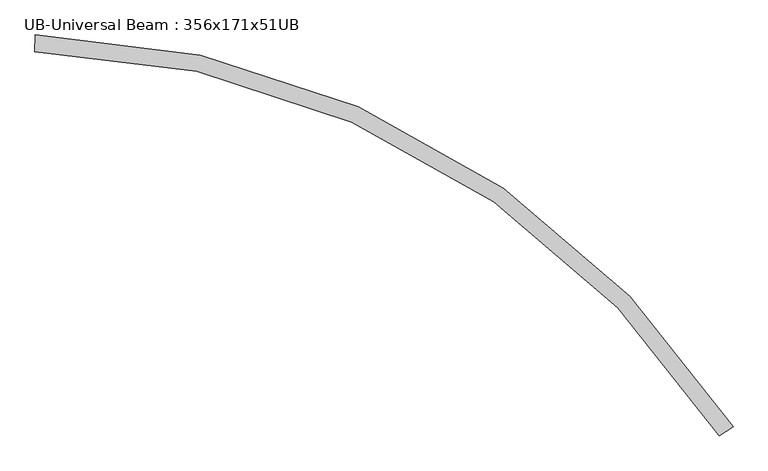
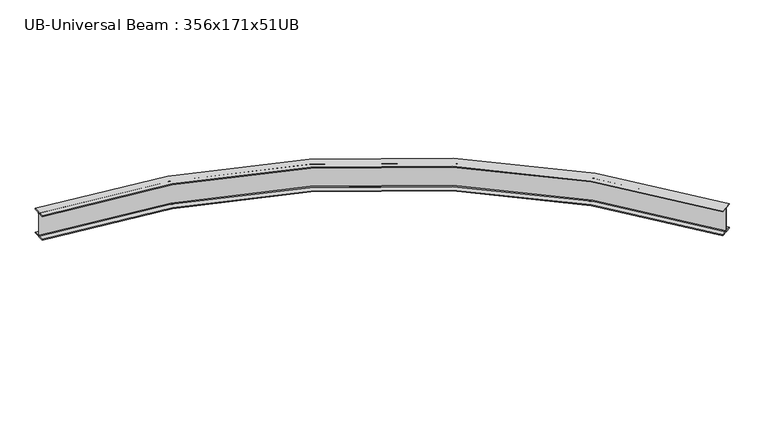
"""IFC4 building model written with IfcOpenShell, lengths in millimetres: beam geometry, UB-Universal Beam : 356x171x51UB."""

from ifc_helpers import new_model, si_unit, point, frame, origin, place, context, project, spatial, polyline, circle_curve, ellipse_curve, trimmed, source, transform, mapped, element, save
from ifc_brep_helpers import plane_surface, cylinder_surface, revolved_surface, advanced_brep


def ub_universal_beam_356x171x51ub_1de31b64(model_context):
    return source(origin(), model_context, "Body", "AdvancedBrep", [
        advanced_brep(
        [(7389.1913751, -3947.184636, -166.0), (7328.7624533, -3986.0532339, -166.0), (7320.1838172, -3991.5711142, -155.8), (7320.1838172, -3991.5711142, 155.8), (7328.7624533, -3986.0532339, 166.0), (7389.1913751, -3947.184636, 166.0), (7389.1913751, -3947.184636, 177.5), (7244.9525428, -4039.9607604, 177.5), (7244.9525428, -4039.9607604, 166.0), (7305.3814647, -4001.0921625, 166.0), (7313.9601008, -3995.5742822, 155.8), (7313.9601008, -3995.5742822, -155.8), (7305.3814647, -4001.0921625, -166.0), (7244.9525428, -4039.9607604, -166.0), (7244.9525428, -4039.9607604, -177.5), (7389.1913751, -3947.184636, -177.5), (209.1663637, 83.2597875, -166.0), (209.1663637, 83.2597875, -177.5), (205.0833849, -88.1916029, -177.5), (205.0833849, -88.1916029, -166.0), (206.7939507, -16.3619679, -166.0), (207.0367867, -6.164859, -155.8), (207.0367867, -6.164859, 155.8), (206.7939507, -16.3619679, 166.0), (205.0833849, -88.1916029, 166.0), (205.0833849, -88.1916029, 177.5), (209.1663637, 83.2597875, 177.5), (209.1663637, 83.2597875, 166.0), (207.455798, 11.4301525, 166.0), (207.2129619, 1.2330436, 155.8), (207.2129619, 1.2330436, -155.8), (207.455798, 11.4301525, -166.0)],
        [
            (0, 1),
            (1, 2, circle_curve(frame((7328.7624533, -3986.0532339, -155.8), z_axis=(-0.5409686553777926, 0.8410427539065677, 0.0), x_axis=(-0.8410427539065677, -0.5409686553777926, 0.0)), 10.2)),
            (2, 3),
            (3, 4, circle_curve(frame((7328.7624533, -3986.0532339, 155.8), z_axis=(-0.5409686553777924, 0.8410427539065678, 0.0), x_axis=(-0.8410427539065678, -0.5409686553777924, 0.0)), 10.2)),
            (4, 5),
            (5, 6),
            (6, 7),
            (7, 8),
            (8, 9),
            (9, 10, circle_curve(frame((7305.3814647, -4001.0921625, 155.8), z_axis=(-0.5409686553777924, 0.8410427539065678, 0.0), x_axis=(-0.8410427539065678, -0.5409686553777924, 0.0)), 10.2)),
            (10, 11),
            (11, 12, circle_curve(frame((7305.3814647, -4001.0921625, -155.8), z_axis=(-0.5409686553777924, 0.8410427539065678, 0.0), x_axis=(-0.8410427539065678, -0.5409686553777924, 0.0)), 10.2)),
            (12, 13),
            (13, 14),
            (14, 15),
            (15, 0),
            (16, 17),
            (17, 18),
            (18, 19),
            (19, 20),
            (20, 21, circle_curve(frame((206.7939507, -16.3619679, -155.8), z_axis=(0.9997165623314463, -0.023807456819157746, 0.0), x_axis=(-0.023807456819157746, -0.9997165623314463, 0.0)), 10.2)),
            (21, 22),
            (22, 23, circle_curve(frame((206.7939507, -16.3619679, 155.8), z_axis=(0.9997165623314461, -0.023807456819157802, 0.0), x_axis=(-0.023807456819157802, -0.9997165623314461, 0.0)), 10.2)),
            (23, 24),
            (24, 25),
            (25, 26),
            (26, 27),
            (27, 28),
            (28, 29, circle_curve(frame((207.455798, 11.4301525, 155.8), z_axis=(0.9997165623314463, -0.023807456819157746, 0.0), x_axis=(-0.023807456819157746, -0.9997165623314463, 0.0)), 10.2)),
            (29, 30),
            (30, 31, circle_curve(frame((207.455798, 11.4301525, -155.8), z_axis=(0.9997165623314461, -0.023807456819157802, 0.0), x_axis=(-0.023807456819157802, -0.9997165623314461, 0.0)), 10.2)),
            (31, 16),
            (0, 16, circle_curve(frame((0.0, -8700.0, -166.0), z_axis=(0.0, 0.0, 1.0), x_axis=(-0.5731732091686152, 0.8194342391500071, 0.0)), 8785.75)),
            (31, 1, circle_curve(frame((0.0, -8700.0, -166.0), z_axis=(0.0, 0.0, -1.0), x_axis=(-0.5731732091686152, 0.8194342391500071, 0.0)), 8713.9)),
            (30, 2, circle_curve(frame((0.0, -8700.0, -155.8), z_axis=(0.0, 0.0, -1.0), x_axis=(-0.5731732091686152, 0.8194342391500071, 0.0)), 8703.7)),
            (29, 3, circle_curve(frame((0.0, -8700.0, 155.8), z_axis=(0.0, 0.0, -1.0), x_axis=(-0.5731732091686152, 0.8194342391500071, 0.0)), 8703.7)),
            (28, 4, circle_curve(frame((0.0, -8700.0, 166.0), z_axis=(0.0, 0.0, -1.0), x_axis=(-0.5731732091686152, 0.8194342391500071, 0.0)), 8713.9)),
            (27, 5, circle_curve(frame((0.0, -8700.0, 166.0), z_axis=(0.0, 0.0, -1.0), x_axis=(-0.5731732091686152, 0.8194342391500071, 0.0)), 8785.75)),
            (26, 6, circle_curve(frame((0.0, -8700.0, 177.5), z_axis=(0.0, 0.0, -1.0), x_axis=(-0.5731732091686152, 0.8194342391500071, 0.0)), 8785.75)),
            (25, 7, circle_curve(frame((0.0, -8700.0, 177.5), z_axis=(0.0, 0.0, -1.0), x_axis=(-0.5731732091686152, 0.8194342391500071, 0.0)), 8614.25)),
            (24, 8, circle_curve(frame((0.0, -8700.0, 166.0), z_axis=(0.0, 0.0, -1.0), x_axis=(-0.5731732091686152, 0.8194342391500071, 0.0)), 8614.25)),
            (23, 9, circle_curve(frame((0.0, -8700.0, 166.0), z_axis=(0.0, 0.0, -1.0), x_axis=(-0.5731732091686152, 0.8194342391500071, 0.0)), 8686.1)),
            (22, 10, circle_curve(frame((0.0, -8700.0, 155.8), z_axis=(0.0, 0.0, -1.0), x_axis=(-0.5731732091686152, 0.8194342391500071, 0.0)), 8696.3)),
            (21, 11, circle_curve(frame((0.0, -8700.0, -155.8), z_axis=(0.0, 0.0, -1.0), x_axis=(-0.5731732091686152, 0.8194342391500071, 0.0)), 8696.3)),
            (20, 12, circle_curve(frame((0.0, -8700.0, -166.0), z_axis=(0.0, 0.0, -1.0), x_axis=(-0.5731732091686152, 0.8194342391500071, 0.0)), 8686.1)),
            (19, 13, circle_curve(frame((0.0, -8700.0, -166.0), z_axis=(0.0, 0.0, -1.0), x_axis=(-0.5731732091686152, 0.8194342391500071, 0.0)), 8614.25)),
            (18, 14, circle_curve(frame((0.0, -8700.0, -177.5), z_axis=(0.0, 0.0, -1.0), x_axis=(-0.5731732091686152, 0.8194342391500071, 0.0)), 8614.25)),
            (17, 15, circle_curve(frame((0.0, -8700.0, -177.5), z_axis=(0.0, 0.0, -1.0), x_axis=(-0.5731732091686152, 0.8194342391500071, 0.0)), 8785.75)),
        ],
        [
            plane_surface(frame((7317.071959, -3993.5726982, 0.0), z_axis=(0.5409686553777874, -0.8410427539065708, 0.0), x_axis=(0.0, 0.0, 1.0))),
            plane_surface(frame((207.1248743, -2.4659077, 0.0), z_axis=(-0.999716562331446, 0.023807456819163686, 0.0), x_axis=(0.0, 0.0, 1.0))),
            plane_surface(frame((0.0, -8700.0, -166.0), z_axis=(0.0, 0.0, 1.0000000000000002), x_axis=(-0.5731732091686152, 0.8194342391500071, 0.0))),
            revolved_surface(trimmed(ellipse_curve(frame((-4994.5740274, -1559.5319835, -155.8), z_axis=(0.8194342391500036, 0.5731732091686202, 0.0), x_axis=(0.5731732091686202, -0.8194342391500036, 0.0)), 10.2, 10.2), [point((-4988.7276606, -1567.8902127, -155.8))], [point((-4994.5740274, -1559.5319835, -166.0))], True, "CARTESIAN"), (0.0, -8700.0, 0.0), (0.0, 0.0, -1.0000000000000002)),
            cylinder_surface(frame((0.0, -8700.0, 0.0), z_axis=(0.0, 0.0, -1.0000000000000002), x_axis=(-0.5731732091686152, 0.8194342391500071, 0.0)), 8703.7),
            revolved_surface(trimmed(ellipse_curve(frame((-4994.5740274, -1559.5319835, 155.8), z_axis=(0.8194342391500036, 0.5731732091686202, 0.0), x_axis=(0.5731732091686202, -0.8194342391500036, 0.0)), 10.2, 10.2), [point((-4994.5740274, -1559.5319835, 166.0))], [point((-4988.7276606, -1567.8902127, 155.8))], True, "CARTESIAN"), (0.0, -8700.0, 0.0), (0.0, 0.0, -1.0000000000000002)),
            plane_surface(frame((0.0, -8700.0, 166.0), z_axis=(0.0, 0.0, -1.0000000000000002), x_axis=(-0.5731732091686152, 0.8194342391500071, 0.0))),
            cylinder_surface(frame((0.0, -8700.0, 0.0), z_axis=(0.0, 0.0, -1.0000000000000002), x_axis=(-0.5731732091686152, 0.8194342391500071, 0.0)), 8785.75),
            plane_surface(frame((0.0, -8700.0, 177.5), z_axis=(0.0, 0.0, 1.0000000000000002), x_axis=(-0.5731732091686152, 0.8194342391500071, 0.0))),
            revolved_surface(polyline([(-4937.457317080744, -1641.1886054020515, 166.00000000000006), (-4937.457317080744, -1641.1886054020515, 177.50000000000006)]), (0.0, -8700.0, 0.0), (0.0, 0.0, -1.0000000000000002)),
            revolved_surface(trimmed(ellipse_curve(frame((-4978.6398122, -1582.3122553, 155.8), z_axis=(0.8194342391500036, 0.5731732091686202, 0.0), x_axis=(0.5731732091686202, -0.8194342391500036, 0.0)), 10.2, 10.2), [point((-4984.4861789, -1573.9540261, 155.8))], [point((-4978.6398122, -1582.3122553, 166.0))], True, "CARTESIAN"), (0.0, -8700.0, 0.0), (0.0, 0.0, -1.0000000000000002)),
            revolved_surface(polyline([(-4984.486178893028, -1573.954026079794, -155.80000000000007), (-4984.486178893028, -1573.954026079794, 155.80000000000007)]), (0.0, -8700.0, 0.0), (0.0, 0.0, -1.0000000000000002)),
            revolved_surface(trimmed(ellipse_curve(frame((-4978.6398122, -1582.3122553, -155.8), z_axis=(0.8194342391500036, 0.5731732091686202, 0.0), x_axis=(0.5731732091686202, -0.8194342391500036, 0.0)), 10.2, 10.2), [point((-4978.6398122, -1582.3122553, -166.0))], [point((-4984.4861789, -1573.9540261, -155.8))], True, "CARTESIAN"), (0.0, -8700.0, 0.0), (0.0, 0.0, -1.0000000000000002)),
            revolved_surface(polyline([(-4937.457317080744, -1641.1886054020515, -177.50000000000006), (-4937.457317080744, -1641.1886054020515, -166.00000000000006)]), (0.0, -8700.0, 0.0), (0.0, 0.0, -1.0000000000000002)),
            plane_surface(frame((0.0, -8700.0, -177.5), z_axis=(0.0, 0.0, -1.0000000000000002), x_axis=(-0.5731732091686152, 0.8194342391500071, 0.0))),
        ],
        [
            (0, [[1, 2, 3, 4, 5, 6, 7, 8, 9, 10, 11, 12, 13, 14, 15, 16]]),
            (1, [[17, 18, 19, 20, 21, 22, 23, 24, 25, 26, 27, 28, 29, 30, 31, 32]]),
            (2, [[-1, 33, -32, 34]]),
            (3, [[-2, -34, -31, 35]]),
            (4, [[-3, -35, -30, 36]]),
            (5, [[-4, -36, -29, 37]]),
            (6, [[-5, -37, -28, 38]]),
            (7, [[-6, -38, -27, 39]]),
            (8, [[-7, -39, -26, 40]]),
            (9, [[-8, -40, -25, 41]]),
            (6, [[-9, -41, -24, 42]]),
            (10, [[-10, -42, -23, 43]]),
            (11, [[-11, -43, -22, 44]]),
            (12, [[-12, -44, -21, 45]]),
            (2, [[-13, -45, -20, 46]]),
            (13, [[-14, -46, -19, 47]]),
            (14, [[-15, -47, -18, 48]]),
            (7, [[-16, -48, -17, -33]]),
        ],
    ),
    ])


if __name__ == "__main__":
    model = new_model("IFC4")
    model_context = context("Model", 3, world=origin())
    ifc_project = project(units=[si_unit("LENGTHUNIT", "METRE", prefix="MILLI")], contexts=[model_context])
    site = spatial("IfcSite", under=ifc_project)
    building = spatial("IfcBuilding", under=site)
    placement = place(None, origin())
    ub_universal_beam_356x171x51ub_shape = ub_universal_beam_356x171x51ub_1de31b64(model_context)
    element("IfcBeam", 1, ObjectType="UB-Universal Beam : 356x171x51UB", at=placement, inside=building, context=model_context, shape_type="MappedRepresentation", body=[
        mapped(ub_universal_beam_356x171x51ub_shape, transform((0.0, 0.0, 0.0), x_axis=(1.0, 0.0, 0.0), y_axis=(0.0, 1.0, 0.0), z_axis=(0.0, 0.0, 1.0))),
    ])
    save(model, "model.ifc")
